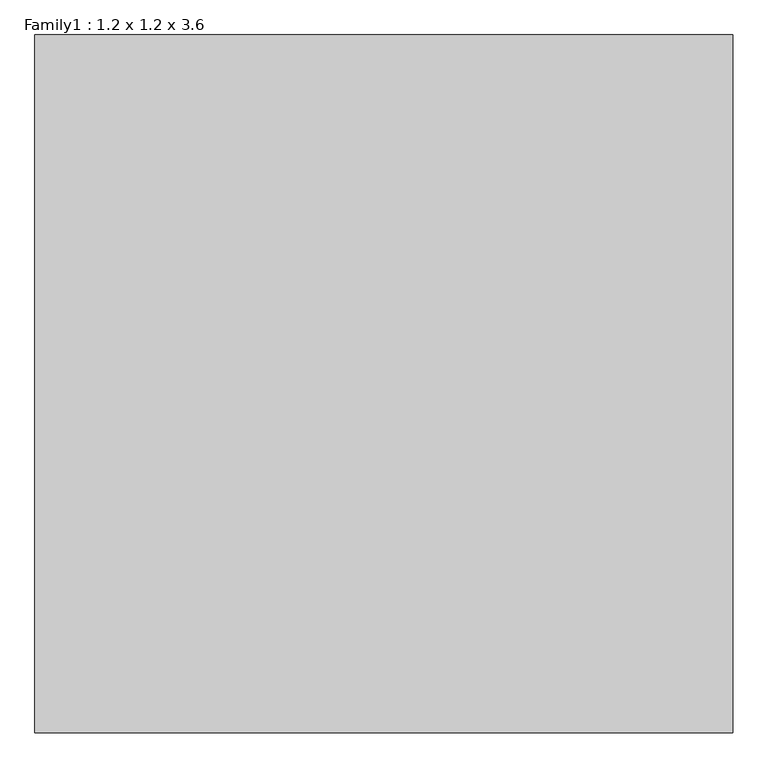
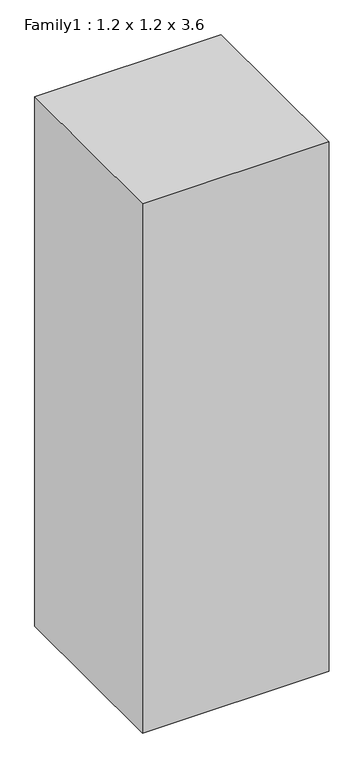
"""IFC4 building model written with IfcOpenShell, lengths in millimetres: proxy geometry, Family1 : 1.2 x 1.2 x 3.6."""

from ifc_helpers import new_model, si_unit, origin, origin_with_axes, place, context, project, spatial, polyline, outline, extrude, source, transform, mapped, element, save


def family1_1_2_x_1_2_x_3_6_dee84383(model_context):
    return source(origin(), model_context, "Body", "SweptSolid", [
        extrude(outline(polyline([(600.0, -600.0), (-600.0, -600.0), (-600.0, 600.0), (600.0, 600.0), (600.0, -600.0)])), origin_with_axes(), (0.0, 0.0, 1.0), 3600.0),
    ])


if __name__ == "__main__":
    model = new_model("IFC4")
    model_context = context("Model", 3, world=origin())
    ifc_project = project(units=[si_unit("LENGTHUNIT", "METRE", prefix="MILLI")], contexts=[model_context])
    site = spatial("IfcSite", under=ifc_project)
    building = spatial("IfcBuilding", under=site)
    placement = place(None, origin())
    family1_1_2_x_1_2_x_3_6_shape = family1_1_2_x_1_2_x_3_6_dee84383(model_context)
    element("IfcBuildingElementProxy", 1, Name="Family1 : 1.2 x 1.2 x 3.6", ObjectType="Family1 : 1.2 x 1.2 x 3.6", at=placement, inside=building, context=model_context, shape_type="MappedRepresentation", body=[
        mapped(family1_1_2_x_1_2_x_3_6_shape, transform((0.0, 0.0, 0.0), x_axis=(1.0, 0.0, 0.0), y_axis=(0.0, 1.0, 0.0), z_axis=(0.0, 0.0, 1.0))),
    ])
    save(model, "model.ifc")
